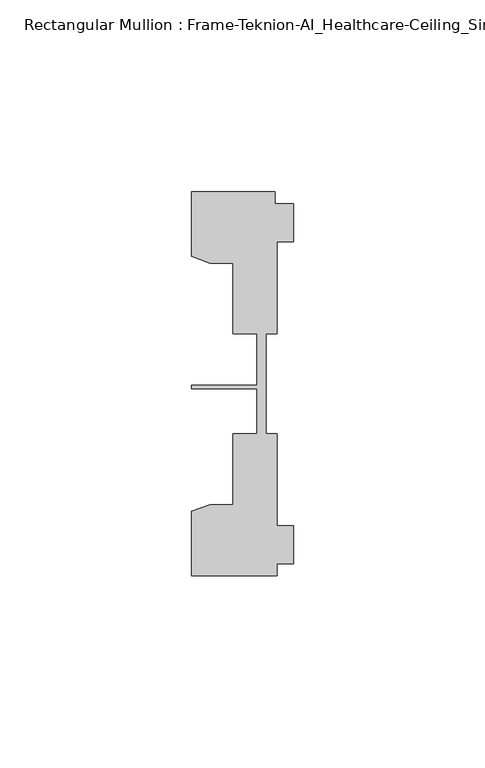
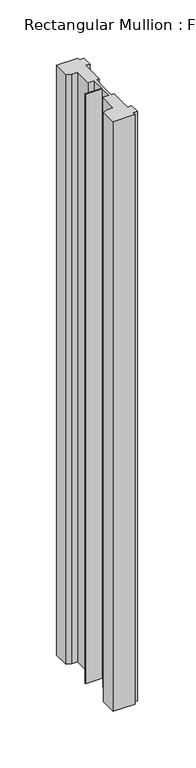
"""IFC4 building model written with IfcOpenShell, lengths in millimetres: member geometry, Rectangular Mullion : Frame-Teknion-AI_Healthcare-Ceiling_Single_Channel."""

from ifc_helpers import new_model, si_unit, frame, origin, place, context, project, spatial, polyline, outline, extrude, source, transform, mapped, element, save


def rectangular_mullion_frame_teknion_ai_healthcare_ceiling_bcc35889(model_context):
    return source(origin(), model_context, "Body", "SweptSolid", [
        extrude(outline(polyline([(-26.4921999, 34.0201677), (-26.4921999, 50.8315128), (-4.7752002, 50.8315128), (-4.7752002, 47.782071), (0.0, 47.782071), (0.0, 37.7820716), (-4.2672007, 37.7820716), (-4.2672007, 13.9110722), (-7.1647766, 13.9110722), (-7.1647766, 0.0814804), (-7.1647766, -12.2509301), (-4.2672007, -12.2509301), (-4.2672007, -36.1219249), (0.0, -36.1219249), (0.0, -46.1219322), (-4.2672007, -46.1219322), (-4.2672007, -49.1699293), (-26.4921999, -49.1699293), (-26.4921999, -32.3600207), (-21.6625199, -30.6279561), (-15.6737764, -30.6279561), (-15.6737764, -12.2509301), (-9.4507761, -12.2509301), (-9.4507761, -0.4036528), (-26.4921999, -0.4036528), (-26.4921999, 0.4036528), (-9.4507761, 0.4036528), (-9.4507761, 13.9110722), (-15.6737764, 13.9110722), (-15.6737764, 32.2880982), (-21.6625199, 32.2880982), (-26.4921999, 34.0201677)])), frame((0.0, 0.0, -635.0), z_axis=(0.0, 0.0, 1.0), x_axis=(1.0, 0.0, 0.0)), (0.0, 0.0, 1.0), 635.0),
    ])


if __name__ == "__main__":
    model = new_model("IFC4")
    model_context = context("Model", 3, world=origin())
    ifc_project = project(units=[si_unit("LENGTHUNIT", "METRE", prefix="MILLI")], contexts=[model_context])
    site = spatial("IfcSite", under=ifc_project)
    building = spatial("IfcBuilding", under=site)
    placement = place(None, origin())
    rectangular_mullion_frame_teknion_ai_healthcare_ceiling_shape = rectangular_mullion_frame_teknion_ai_healthcare_ceiling_bcc35889(model_context)
    element("IfcMember", 1, ObjectType="Rectangular Mullion : Frame-Teknion-AI_Healthcare-Ceiling_Single_Channel", at=placement, inside=building, context=model_context, shape_type="MappedRepresentation", body=[
        mapped(rectangular_mullion_frame_teknion_ai_healthcare_ceiling_shape, transform((0.0, 0.0, 0.0), x_axis=(1.0, 0.0, 0.0), y_axis=(0.0, 1.0, 0.0), z_axis=(0.0, 0.0, 1.0))),
    ])
    save(model, "model.ifc")
